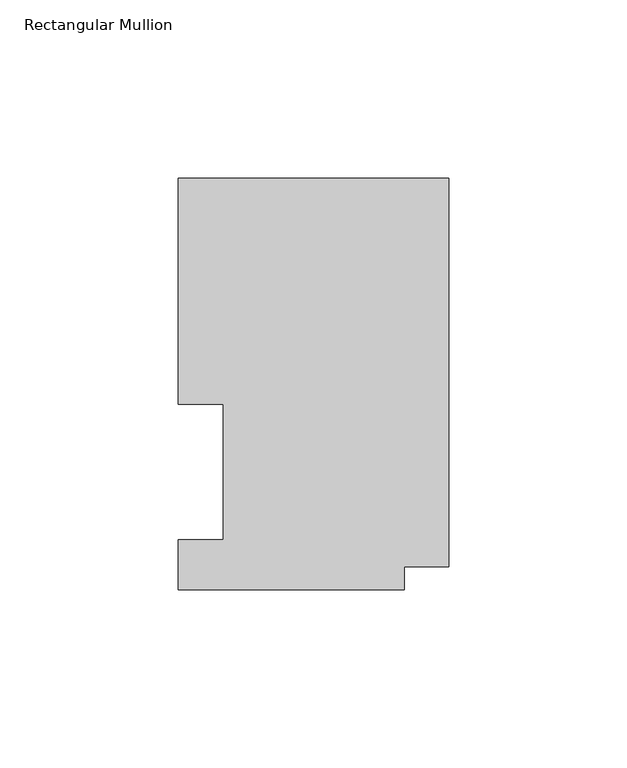
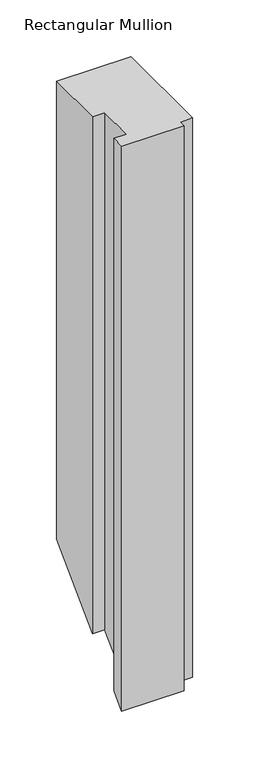
"""IFC4 building model written with IfcOpenShell, lengths in millimetres: member geometry, Rectangular Mullion."""

from ifc_helpers import new_model, si_unit, origin, place, context, project, spatial, faceted_brep, source, transform, mapped, element, save


def rectangular_mullion_12bfe4d3(model_context):
    return source(origin(), model_context, "Body", "Brep", [
        faceted_brep([(0.0, 115.5898607, 0.0), (-76.0222, 115.5898607, 0.0), (-76.0222, 52.0898438, 0.0), (-63.3262802, 52.0898438, 0.0), (-63.3262802, 13.9898777, 0.0), (-76.0262802, 13.9898777, 0.0), (-76.0262802, 0.0198607, 0.0), (-12.5262802, 0.0198607, 0.0), (-12.5262802, 6.3856708, 0.0), (0.0, 6.3856708, 0.0), (0.0, 115.5898607, -494.0101393), (-76.0222, 115.5898607, -494.0101393), (-76.0222, 52.0898438, -557.5101562), (-63.3262802, 52.0898438, -557.5101562), (-63.3262802, 13.9898777, -595.6101223), (-76.0262802, 13.9898777, -595.6101223), (-76.0262802, 0.0198607, -609.5801393), (-12.5262802, 0.0198607, -609.5801393), (-12.5262802, 6.3856708, -603.2143292), (0.0, 6.3856708, -603.2143292)], [[[0, 1, 2, 3, 4, 5, 6, 7, 8, 9]], [[1, 0, 10, 11]], [[2, 1, 11, 12]], [[3, 2, 12, 13]], [[4, 3, 13, 14]], [[5, 4, 14, 15]], [[6, 5, 15, 16]], [[7, 6, 16, 17]], [[8, 7, 17, 18]], [[9, 8, 18, 19]], [[0, 9, 19, 10]], [[10, 19, 18, 17, 16, 15, 14, 13, 12, 11]]]),
    ])


if __name__ == "__main__":
    model = new_model("IFC4")
    model_context = context("Model", 3, world=origin())
    ifc_project = project(units=[si_unit("LENGTHUNIT", "METRE", prefix="MILLI")], contexts=[model_context])
    site = spatial("IfcSite", under=ifc_project)
    building = spatial("IfcBuilding", under=site)
    placement = place(None, origin())
    rectangular_mullion_shape = rectangular_mullion_12bfe4d3(model_context)
    element("IfcMember", 1, ObjectType="Rectangular Mullion", at=placement, inside=building, context=model_context, shape_type="MappedRepresentation", body=[
        mapped(rectangular_mullion_shape, transform((0.0, 0.0, 0.0), x_axis=(1.0, 0.0, 0.0), y_axis=(0.0, 1.0, 0.0), z_axis=(0.0, 0.0, 1.0))),
    ])
    save(model, "model.ifc")
